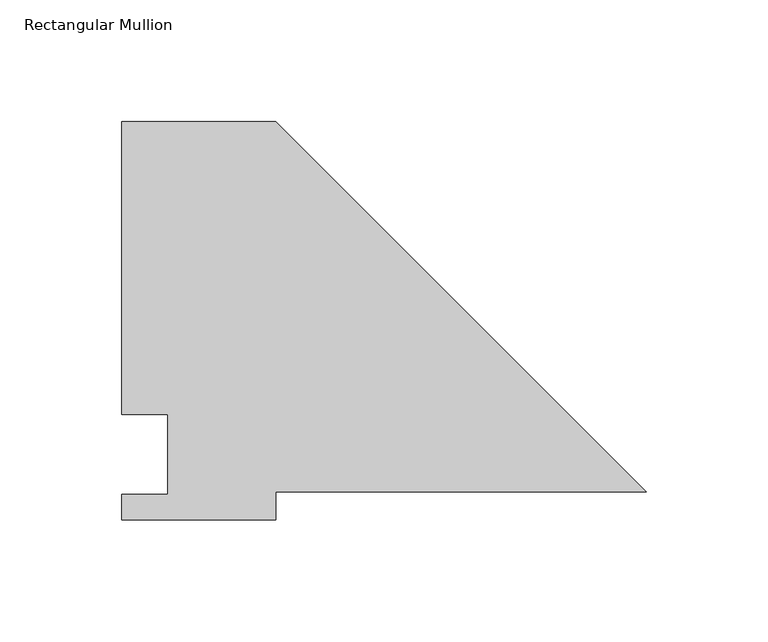
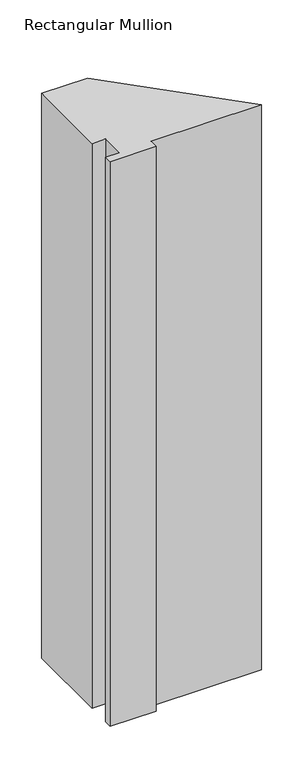
"""IFC4 building model written with IfcOpenShell, lengths in millimetres: member geometry, Rectangular Mullion."""

from ifc_helpers import new_model, si_unit, frame, origin, place, context, project, spatial, polyline, outline, extrude, source, transform, mapped, element, save


def rectangular_mullion_971fef40(model_context):
    return source(origin(), model_context, "Body", "SweptSolid", [
        extrude(outline(polyline([(-152.4, 152.4), (0.0, 0.0), (-152.4, 0.0), (-152.4, -11.684), (-215.9, -11.684), (-215.9, -1.016), (-196.85, -1.016), (-196.85, 31.75), (-215.9, 31.75), (-215.9, 152.4), (-152.4, 152.4)])), frame((0.0, 0.0, -825.4868072), z_axis=(0.0, 0.0, 1.0), x_axis=(1.0, 0.0, 0.0)), (0.0, 0.0, 1.0), 825.4868072),
    ])


if __name__ == "__main__":
    model = new_model("IFC4")
    model_context = context("Model", 3, world=origin())
    ifc_project = project(units=[si_unit("LENGTHUNIT", "METRE", prefix="MILLI")], contexts=[model_context])
    site = spatial("IfcSite", under=ifc_project)
    building = spatial("IfcBuilding", under=site)
    placement = place(None, origin())
    rectangular_mullion_shape = rectangular_mullion_971fef40(model_context)
    element("IfcMember", 1, ObjectType="Rectangular Mullion", at=placement, inside=building, context=model_context, shape_type="MappedRepresentation", body=[
        mapped(rectangular_mullion_shape, transform((0.0, 0.0, 0.0), x_axis=(1.0, 0.0, 0.0), y_axis=(0.0, 1.0, 0.0), z_axis=(0.0, 0.0, 1.0))),
    ])
    save(model, "model.ifc")
